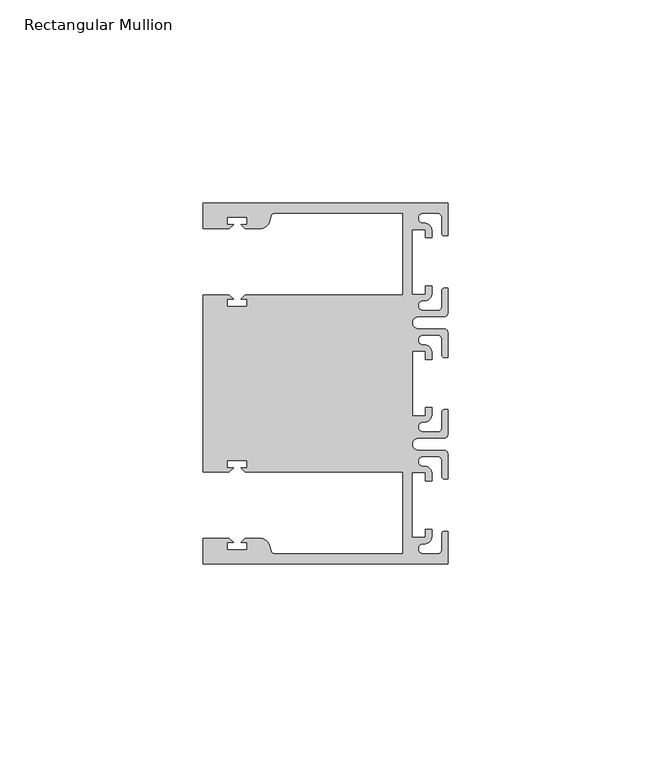
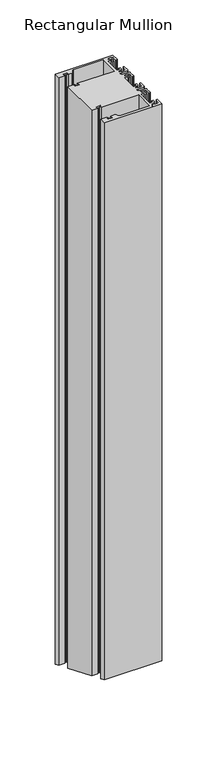
"""IFC4 building model written with IfcOpenShell, lengths in millimetres: member geometry, Rectangular Mullion."""

from ifc_helpers import new_model, si_unit, frame, origin, place, context, project, spatial, polyline, circle_curve, ellipse_curve, source, transform, mapped, element, save
from ifc_brep_helpers import plane_surface, cylinder_surface, revolved_surface, advanced_brep


def rectangular_mullion_48d533da(model_context):
    return source(origin(), model_context, "Body", "AdvancedBrep", [
        advanced_brep(
        [(0.0, 44.45, 0.0), (-60.3249977, 44.45, 0.0), (-60.3249977, 38.1499897, 0.0), (-53.8507531, 38.1499897, 0.0), (-52.8507405, 39.1500023, 0.0), (-54.4249778, 39.1500023, 0.0), (-54.4249778, 40.9498819, 0.0), (-49.4249831, 40.9498819, 0.0), (-49.4249831, 39.1500023, 0.0), (-50.999256, 39.1500023, 0.0), (-49.9992503, 38.1499966, 0.0), (-46.3137853, 38.1499966, 0.0), (-43.8989707, 40.002949, 0.0), (-43.5758588, 41.2088192, 0.0), (-42.6099329, 41.9500001, 0.0), (-11.1124977, 41.95, 0.0), (-11.1124977, 21.7499959, 0.0), (-49.9992434, 21.7499959, 0.0), (-50.999256, 20.7499834, 0.0), (-49.4250186, 20.7499834, 0.0), (-49.4250186, 18.949936, 0.0), (-54.4250134, 18.949936, 0.0), (-54.4250134, 20.7499834, 0.0), (-52.8507405, 20.7499834, 0.0), (-53.8507562, 21.749999, 0.0), (-60.325, 21.749999, 0.0), (-60.325, -21.749999, 0.0), (-53.8507562, -21.749999, 0.0), (-52.8507405, -20.7499834, 0.0), (-54.4250134, -20.7499834, 0.0), (-54.4250134, -18.949936, 0.0), (-49.4250186, -18.949936, 0.0), (-49.4250186, -20.7499834, 0.0), (-50.999256, -20.7499834, 0.0), (-49.9992434, -21.7499959, 0.0), (-11.1125, -21.7499959, 0.0), (-11.1125, -41.95, 0.0), (-42.6099329, -41.95, 0.0), (-43.5758588, -41.2088192, 0.0), (-43.8989707, -40.002949, 0.0), (-46.3137853, -38.1499966, 0.0), (-49.9992503, -38.1499966, 0.0), (-50.999256, -39.1500023, 0.0), (-49.4249831, -39.1500023, 0.0), (-49.4249831, -40.9498819, 0.0), (-54.4249778, -40.9498819, 0.0), (-54.4249778, -39.1500023, 0.0), (-52.8507405, -39.1500023, 0.0), (-53.8507531, -38.1499897, 0.0), (-60.325, -38.1499897, 0.0), (-60.325, -44.45, 0.0), (0.0, -44.45, 0.0), (0.0, -36.4500318, 0.0), (-1.0, -36.4500318, 0.0), (-1.5, -36.9500318, 0.0), (-1.5, -40.95, 0.0), (-2.5, -41.95, 0.0), (-6.0499986, -41.95, 0.0), (-5.9027291, -39.4587029, 0.0), (-4.0000054, -37.7499972, 0.0), (-4.0000054, -35.9500318, 0.0), (-5.5, -35.9500318, 0.0), (-5.5, -37.9499972, 0.0), (-8.8585786, -37.9499972, 0.0), (-8.8585786, -21.9499956, 0.0), (-5.5, -21.9499956, 0.0), (-5.5, -23.9499611, 0.0), (-3.9999946, -23.9499611, 0.0), (-3.9999946, -22.0272972, 0.0), (-6.0499986, -20.4499956, 0.0), (-6.0499986, -17.9499929, 0.0), (-2.5, -17.9499929, 0.0), (-1.5, -18.9499929, 0.0), (-1.5, -22.9499611, 0.0), (-1.0, -23.4499611, 0.0), (0.0, -23.4499611, 0.0), (0.0, -17.4499929, 0.0), (-1.0, -16.4499929, 0.0), (-7.3, -16.4499929, 0.0), (-7.3046244, -13.45, 0.0), (-1.0, -13.45, 0.0), (0.0, -12.45, 0.0), (0.0, -6.4500354, 0.0), (-0.9999964, -6.4500354, 0.0), (-1.4999964, -6.9500354, 0.0), (-1.4999964, -10.95, 0.0), (-2.4999964, -11.95, 0.0), (-6.0499986, -11.95, 0.0), (-6.0499986, -9.4499972, 0.0), (-4.0000054, -7.7499972, 0.0), (-4.0000054, -5.9500318, 0.0), (-5.5, -5.9500318, 0.0), (-5.5, -7.9499972, 0.0), (-8.8, -7.9499972, 0.0), (-8.8, 7.9499972, 0.0), (-5.5, 7.9499972, 0.0), (-5.5, 5.9500318, 0.0), (-4.0000054, 5.9500318, 0.0), (-4.0000054, 7.7499972, 0.0), (-6.0499986, 9.4499972, 0.0), (-6.0499986, 11.95, 0.0), (-2.4999964, 11.95, 0.0), (-1.4999964, 10.95, 0.0), (-1.4999964, 6.9500354, 0.0), (-0.9999964, 6.4500354, 0.0), (0.0, 6.4500354, 0.0), (0.0, 12.45, 0.0), (-1.0, 13.45, 0.0), (-7.3046244, 13.45, 0.0), (-7.3, 16.4499929, 0.0), (-1.0, 16.4499929, 0.0), (0.0, 17.4499929, 0.0), (0.0, 23.4499611, 0.0), (-1.0, 23.4499611, 0.0), (-1.5, 22.9499611, 0.0), (-1.5, 18.9499929, 0.0), (-2.5, 17.9499929, 0.0), (-6.0499986, 17.9499929, 0.0), (-6.0499986, 20.4499956, 0.0), (-3.9999946, 22.0272972, 0.0), (-3.9999946, 23.9499611, 0.0), (-5.5, 23.9499611, 0.0), (-5.5, 21.9499956, 0.0), (-8.8585786, 21.9499956, 0.0), (-8.8585786, 37.9499972, 0.0), (-5.5, 37.9499972, 0.0), (-5.5, 35.9500318, 0.0), (-4.0000054, 35.9500318, 0.0), (-4.0000054, 37.7499972, 0.0), (-5.9027291, 39.4587029, 0.0), (-6.0499986, 41.95, 0.0), (-2.5, 41.95, 0.0), (-1.5, 40.95, 0.0), (-1.5, 36.9500318, 0.0), (-1.0, 36.4500318, 0.0), (0.0, 36.4500318, 0.0), (0.0, 44.45, -653.4117928), (-60.3249977, 44.45, -653.4117928), (-60.3249977, 38.1499897, -650.8022431), (-53.8507531, 38.1499897, -650.8022431), (-52.8507405, 39.1500023, -651.2164619), (-54.4249778, 39.1500023, -651.2164619), (-54.4249778, 40.9498819, -651.9619965), (-49.4249831, 40.9498819, -651.9619965), (-49.4249831, 39.1500023, -651.2164619), (-50.999256, 39.1500023, -651.2164619), (-49.9992503, 38.1499966, -650.802246), (-46.3137853, 38.1499966, -650.802246), (-43.8989707, 40.002949, -651.569764), (-43.5758588, 41.2088192, -652.0692518), (-42.6099329, 41.9500001, -652.376259), (-11.1124977, 41.95, -652.3762589), (-11.1124977, 21.7499959, -644.0091433), (-49.9992434, 21.7499959, -644.0091433), (-50.999256, 20.7499834, -643.5949245), (-49.4250186, 20.7499834, -643.5949245), (-49.4250186, 18.949936, -642.8493205), (-54.4250134, 18.949936, -642.8493205), (-54.4250134, 20.7499834, -643.5949245), (-52.8507405, 20.7499834, -643.5949245), (-53.8507562, 21.749999, -644.0091446), (-60.325, 21.749999, -644.0091446), (-60.325, -21.749999, -625.9908554), (-53.8507562, -21.749999, -625.9908554), (-52.8507405, -20.7499834, -626.4050755), (-54.4250134, -20.7499834, -626.4050755), (-54.4250134, -18.949936, -627.1506795), (-49.4250186, -18.949936, -627.1506795), (-49.4250186, -20.7499834, -626.4050755), (-50.999256, -20.7499834, -626.4050755), (-49.9992434, -21.7499959, -625.9908567), (-11.1125, -21.7499959, -625.9908567), (-11.1125, -41.95, -617.6237411), (-42.6099329, -41.95, -617.623741), (-43.5758588, -41.2088192, -617.9307482), (-43.8989707, -40.002949, -618.430236), (-46.3137853, -38.1499966, -619.197754), (-49.9992503, -38.1499966, -619.197754), (-50.999256, -39.1500023, -618.7835381), (-49.4249831, -39.1500023, -618.7835381), (-49.4249831, -40.9498819, -618.0380035), (-54.4249778, -40.9498819, -618.0380035), (-54.4249778, -39.1500023, -618.7835381), (-52.8507405, -39.1500023, -618.7835381), (-53.8507531, -38.1499897, -619.1977569), (-60.325, -38.1499897, -619.1977569), (-60.325, -44.45, -616.5882072), (0.0, -44.45, -616.5882072), (0.0, -36.4500318, -619.9019025), (-1.0, -36.4500318, -619.9019025), (-1.5, -36.9500318, -619.6947957), (-1.5, -40.95, -618.0379546), (-2.5, -41.95, -617.6237411), (-6.0499986, -41.95, -617.6237411), (-5.9027291, -39.4587029, -618.6556701), (-4.0000054, -37.7499972, -619.3634392), (-4.0000054, -35.9500318, -620.1090093), (-5.5, -35.9500318, -620.1090093), (-5.5, -37.9499972, -619.2805964), (-8.8585786, -37.9499972, -619.2805964), (-8.8585786, -21.9499956, -625.9080141), (-5.5, -21.9499956, -625.9080141), (-5.5, -23.9499611, -625.0796013), (-3.9999946, -23.9499611, -625.0796013), (-3.9999946, -22.0272972, -625.8759947), (-6.0499986, -20.4499956, -626.5293345), (-6.0499986, -17.9499929, -627.5648695), (-2.5, -17.9499929, -627.5648695), (-1.5, -18.9499929, -627.1506559), (-1.5, -22.9499611, -625.4938149), (-1.0, -23.4499611, -625.2867081), (0.0, -23.4499611, -625.2867081), (0.0, -17.4499929, -627.7719763), (-1.0, -16.4499929, -628.1861899), (-7.3, -16.4499929, -628.1861899), (-7.3046244, -13.45, -629.4288276), (-1.0, -13.45, -629.4288276), (0.0, -12.45, -629.8430411), (0.0, -6.4500354, -632.3283079), (-0.9999964, -6.4500354, -632.3283079), (-1.4999964, -6.9500354, -632.1212011), (-1.4999964, -10.95, -630.4643615), (-2.4999964, -11.95, -630.0501479), (-6.0499986, -11.95, -630.0501479), (-6.0499986, -9.4499972, -631.085683), (-4.0000054, -7.7499972, -631.789846), (-4.0000054, -5.9500318, -632.5354161), (-5.5, -5.9500318, -632.5354161), (-5.5, -7.9499972, -631.7070033), (-8.8, -7.9499972, -631.7070033), (-8.8, 7.9499972, -638.2929967), (-5.5, 7.9499972, -638.2929967), (-5.5, 5.9500318, -637.4645839), (-4.0000054, 5.9500318, -637.4645839), (-4.0000054, 7.7499972, -638.210154), (-6.0499986, 9.4499972, -638.914317), (-6.0499986, 11.95, -639.9498521), (-2.4999964, 11.95, -639.9498521), (-1.4999964, 10.95, -639.5356385), (-1.4999964, 6.9500354, -637.8787989), (-0.9999964, 6.4500354, -637.6716921), (0.0, 6.4500354, -637.6716921), (0.0, 12.45, -640.1569589), (-1.0, 13.45, -640.5711724), (-7.3046244, 13.45, -640.5711724), (-7.3, 16.4499929, -641.8138101), (-1.0, 16.4499929, -641.8138101), (0.0, 17.4499929, -642.2280237), (0.0, 23.4499611, -644.7132919), (-1.0, 23.4499611, -644.7132919), (-1.5, 22.9499611, -644.5061851), (-1.5, 18.9499929, -642.8493441), (-2.5, 17.9499929, -642.4351305), (-6.0499986, 17.9499929, -642.4351305), (-6.0499986, 20.4499956, -643.4706655), (-3.9999946, 22.0272972, -644.1240053), (-3.9999946, 23.9499611, -644.9203987), (-5.5, 23.9499611, -644.9203987), (-5.5, 21.9499956, -644.0919859), (-8.8585786, 21.9499956, -644.0919859), (-8.8585786, 37.9499972, -650.7194036), (-5.5, 37.9499972, -650.7194036), (-5.5, 35.9500318, -649.8909907), (-4.0000054, 35.9500318, -649.8909907), (-4.0000054, 37.7499972, -650.6365608), (-5.9027291, 39.4587029, -651.3443299), (-6.0499986, 41.95, -652.3762589), (-2.5, 41.95, -652.3762589), (-1.5, 40.95, -651.9620454), (-1.5, 36.9500318, -650.3052043), (-1.0, 36.4500318, -650.0980975), (0.0, 36.4500318, -650.0980975)],
        [
            (0, 1),
            (1, 2),
            (2, 3),
            (3, 4),
            (4, 5),
            (5, 6),
            (6, 7),
            (7, 8),
            (8, 9),
            (9, 10),
            (10, 11),
            (11, 12, circle_curve(frame((-46.3137853, 40.6499966, 0.0), z_axis=(0.0, 0.0, 1.0), x_axis=(0.0, -1.0, 0.0)), 2.5)),
            (12, 13),
            (13, 14, circle_curve(frame((-42.6099329, 40.9500001, 0.0), z_axis=(0.0, 0.0, -1.0), x_axis=(0.0, -1.0, 0.0)), 1.0)),
            (14, 15),
            (15, 16),
            (16, 17),
            (17, 18),
            (18, 19),
            (19, 20),
            (20, 21),
            (21, 22),
            (22, 23),
            (23, 24),
            (24, 25),
            (25, 26),
            (26, 27),
            (27, 28),
            (28, 29),
            (29, 30),
            (30, 31),
            (31, 32),
            (32, 33),
            (33, 34),
            (34, 35),
            (35, 36),
            (36, 37),
            (37, 38, circle_curve(frame((-42.6099329, -40.9500001, 0.0), z_axis=(0.0, 0.0, -1.0), x_axis=(0.0, 1.0, 0.0)), 1.0)),
            (38, 39),
            (39, 40, circle_curve(frame((-46.3137853, -40.6499966, 0.0), z_axis=(0.0, 0.0, 1.0), x_axis=(0.0, 1.0, 0.0)), 2.5)),
            (40, 41),
            (41, 42),
            (42, 43),
            (43, 44),
            (44, 45),
            (45, 46),
            (46, 47),
            (47, 48),
            (48, 49),
            (49, 50),
            (50, 51),
            (51, 52),
            (52, 53),
            (53, 54, circle_curve(frame((-1.0, -36.9500318, 0.0), z_axis=(0.0, 0.0, 1.0), x_axis=(0.0, 1.0, 0.0)), 0.5)),
            (54, 55),
            (55, 56, circle_curve(frame((-2.5, -40.95, 0.0), z_axis=(0.0, 0.0, -1.0), x_axis=(0.0, 1.0, 0.0)), 1.0)),
            (56, 57),
            (57, 58, circle_curve(frame((-6.0499986, -40.6999986, 0.0), z_axis=(0.0, 0.0, -1.0), x_axis=(0.0, 1.0, 0.0)), 1.2500014)),
            (58, 59, circle_curve(frame((-5.7186029, -37.7499972, 0.0), z_axis=(0.0, 0.0, 1.0), x_axis=(1.0, 0.0, 0.0)), 1.7185975)),
            (59, 60),
            (60, 61),
            (61, 62),
            (62, 63),
            (63, 64),
            (64, 65),
            (65, 66),
            (66, 67),
            (67, 68),
            (68, 69, circle_curve(frame((-5.7543344, -22.1865598, 0.0), z_axis=(0.0, 0.0, 1.0), x_axis=(1.0, 0.0, 0.0)), 1.761554)),
            (69, 70, circle_curve(frame((-6.0499986, -19.1999942, 0.0), z_axis=(0.0, 0.0, -1.0), x_axis=(0.0, 1.0, 0.0)), 1.2500014)),
            (70, 71),
            (71, 72, circle_curve(frame((-2.5, -18.9499929, 0.0), z_axis=(0.0, 0.0, -1.0), x_axis=(0.0, 1.0, 0.0)), 1.0)),
            (72, 73),
            (73, 74, circle_curve(frame((-1.0, -22.9499611, 0.0), z_axis=(0.0, 0.0, 1.0), x_axis=(0.0, 1.0, 0.0)), 0.5)),
            (74, 75),
            (75, 76),
            (76, 77, circle_curve(frame((-1.0, -17.4499929, 0.0), z_axis=(0.0, 0.0, 1.0), x_axis=(0.0, 1.0, 0.0)), 1.0)),
            (77, 78),
            (78, 79, circle_curve(frame((-7.3, -14.9499929, 0.0), z_axis=(0.0, 0.0, -1.0), x_axis=(0.0, 1.0, 0.0)), 1.5)),
            (79, 80),
            (80, 81, circle_curve(frame((-1.0, -12.45, 0.0), z_axis=(0.0, 0.0, 1.0), x_axis=(0.0, 1.0, 0.0)), 1.0)),
            (81, 82),
            (82, 83),
            (83, 84, circle_curve(frame((-0.9999964, -6.9500354, 0.0), z_axis=(0.0, 0.0, 1.0), x_axis=(0.0, 1.0, 0.0)), 0.5)),
            (84, 85),
            (85, 86, circle_curve(frame((-2.4999964, -10.95, 0.0), z_axis=(0.0, 0.0, -1.0), x_axis=(0.0, 1.0, 0.0)), 1.0)),
            (86, 87),
            (87, 88, circle_curve(frame((-6.0499986, -10.6999986, 0.0), z_axis=(0.0, 0.0, -1.0), x_axis=(0.0, 1.0, 0.0)), 1.2500014)),
            (88, 89, circle_curve(frame((-5.7298824, -7.7499972, 0.0), z_axis=(0.0, 0.0, 1.0), x_axis=(1.0, 0.0, 0.0)), 1.729877)),
            (89, 90),
            (90, 91),
            (91, 92),
            (92, 93),
            (93, 94),
            (94, 95),
            (95, 96),
            (96, 97),
            (97, 98),
            (98, 99, circle_curve(frame((-5.7298824, 7.7499972, 0.0), z_axis=(0.0, 0.0, 1.0), x_axis=(1.0, 0.0, 0.0)), 1.729877)),
            (99, 100, circle_curve(frame((-6.0499986, 10.6999986, 0.0), z_axis=(0.0, 0.0, -1.0), x_axis=(0.0, -1.0, 0.0)), 1.2500014)),
            (100, 101),
            (101, 102, circle_curve(frame((-2.4999964, 10.95, 0.0), z_axis=(0.0, 0.0, -1.0), x_axis=(0.0, -1.0, 0.0)), 1.0)),
            (102, 103),
            (103, 104, circle_curve(frame((-0.9999964, 6.9500354, 0.0), z_axis=(0.0, 0.0, 1.0), x_axis=(0.0, -1.0, 0.0)), 0.5)),
            (104, 105),
            (105, 106),
            (106, 107, circle_curve(frame((-1.0, 12.45, 0.0), z_axis=(0.0, 0.0, 1.0), x_axis=(0.0, -1.0, 0.0)), 1.0)),
            (107, 108),
            (108, 109, circle_curve(frame((-7.3, 14.9499929, 0.0), z_axis=(0.0, 0.0, -1.0), x_axis=(0.0, -1.0, 0.0)), 1.5)),
            (109, 110),
            (110, 111, circle_curve(frame((-1.0, 17.4499929, 0.0), z_axis=(0.0, 0.0, 1.0), x_axis=(0.0, -1.0, 0.0)), 1.0)),
            (111, 112),
            (112, 113),
            (113, 114, circle_curve(frame((-1.0, 22.9499611, 0.0), z_axis=(0.0, 0.0, 1.0), x_axis=(0.0, -1.0, 0.0)), 0.5)),
            (114, 115),
            (115, 116, circle_curve(frame((-2.5, 18.9499929, 0.0), z_axis=(0.0, 0.0, -1.0), x_axis=(0.0, -1.0, 0.0)), 1.0)),
            (116, 117),
            (117, 118, circle_curve(frame((-6.0499986, 19.1999942, 0.0), z_axis=(0.0, 0.0, -1.0), x_axis=(0.0, -1.0, 0.0)), 1.2500014)),
            (118, 119, circle_curve(frame((-5.7543344, 22.1865598, 0.0), z_axis=(0.0, 0.0, 1.0), x_axis=(1.0, 0.0, 0.0)), 1.761554)),
            (119, 120),
            (120, 121),
            (121, 122),
            (122, 123),
            (123, 124),
            (124, 125),
            (125, 126),
            (126, 127),
            (127, 128),
            (128, 129, circle_curve(frame((-5.7186029, 37.7499972, 0.0), z_axis=(0.0, 0.0, 1.0), x_axis=(1.0, 0.0, 0.0)), 1.7185975)),
            (129, 130, circle_curve(frame((-6.0499986, 40.6999986, 0.0), z_axis=(0.0, 0.0, -1.0), x_axis=(0.0, -1.0, 0.0)), 1.2500014)),
            (130, 131),
            (131, 132, circle_curve(frame((-2.5, 40.95, 0.0), z_axis=(0.0, 0.0, -1.0), x_axis=(0.0, -1.0, 0.0)), 1.0)),
            (132, 133),
            (133, 134, circle_curve(frame((-1.0, 36.9500318, 0.0), z_axis=(0.0, 0.0, 1.0), x_axis=(0.0, -1.0, 0.0)), 0.5)),
            (134, 135),
            (135, 0),
            (0, 136),
            (136, 137),
            (137, 1),
            (137, 138),
            (138, 2),
            (138, 139),
            (139, 3),
            (139, 140),
            (140, 4),
            (140, 141),
            (141, 5),
            (141, 142),
            (142, 6),
            (142, 143),
            (143, 7),
            (143, 144),
            (144, 8),
            (144, 145),
            (145, 9),
            (145, 146),
            (146, 10),
            (146, 147),
            (147, 11),
            (147, 148, ellipse_curve(frame((-46.3137853, 40.6499966, -651.8377799), z_axis=(0.0, 0.38268343236509095, 0.9238795325112863), x_axis=(0.0, -0.9238795325112863, 0.38268343236509084)), 2.7059805, 2.5)),
            (148, 12),
            (148, 149),
            (149, 13),
            (149, 150, ellipse_curve(frame((-42.6099329, 40.9500001, -651.9620454), z_axis=(0.0, -0.38268343236509095, -0.9238795325112863), x_axis=(0.0, 0.9238795325112863, -0.38268343236509084)), 1.0823922, 1.0)),
            (150, 14),
            (150, 151),
            (151, 15),
            (151, 152),
            (152, 16),
            (152, 153),
            (153, 17),
            (153, 154),
            (154, 18),
            (154, 155),
            (155, 19),
            (155, 156),
            (156, 20),
            (156, 157),
            (157, 21),
            (157, 158),
            (158, 22),
            (158, 159),
            (159, 23),
            (159, 160),
            (160, 24),
            (160, 161),
            (161, 25),
            (161, 162),
            (162, 26),
            (162, 163),
            (163, 27),
            (163, 164),
            (164, 28),
            (164, 165),
            (165, 29),
            (165, 166),
            (166, 30),
            (166, 167),
            (167, 31),
            (167, 168),
            (168, 32),
            (168, 169),
            (169, 33),
            (169, 170),
            (170, 34),
            (170, 171),
            (171, 35),
            (171, 172),
            (172, 36),
            (172, 173),
            (173, 37),
            (173, 174, ellipse_curve(frame((-42.6099329, -40.9500001, -618.0379546), z_axis=(0.0, -0.38268343236509095, -0.9238795325112863), x_axis=(0.0, 0.9238795325112863, -0.38268343236509084)), 1.0823922, 1.0)),
            (174, 38),
            (174, 175),
            (175, 39),
            (175, 176, ellipse_curve(frame((-46.3137853, -40.6499966, -618.1622201), z_axis=(0.0, 0.38268343236509095, 0.9238795325112863), x_axis=(0.0, -0.9238795325112863, 0.38268343236509084)), 2.7059805, 2.5)),
            (176, 40),
            (176, 177),
            (177, 41),
            (177, 178),
            (178, 42),
            (178, 179),
            (179, 43),
            (179, 180),
            (180, 44),
            (180, 181),
            (181, 45),
            (181, 182),
            (182, 46),
            (182, 183),
            (183, 47),
            (183, 184),
            (184, 48),
            (184, 185),
            (185, 49),
            (185, 186),
            (186, 50),
            (186, 187),
            (187, 51),
            (187, 188),
            (188, 52),
            (188, 189),
            (189, 53),
            (189, 190, ellipse_curve(frame((-1.0, -36.9500318, -619.6947957), z_axis=(0.0, 0.38268343236509095, 0.9238795325112863), x_axis=(0.0, -0.9238795325112863, 0.38268343236509084)), 0.5411961, 0.5)),
            (190, 54),
            (190, 191),
            (191, 55),
            (191, 192, ellipse_curve(frame((-2.5, -40.95, -618.0379546), z_axis=(0.0, -0.38268343236509095, -0.9238795325112863), x_axis=(0.0, 0.9238795325112863, -0.38268343236509084)), 1.0823922, 1.0)),
            (192, 56),
            (192, 193),
            (193, 57),
            (193, 194, ellipse_curve(frame((-6.0499986, -40.6999986, -618.1415086), z_axis=(0.0, -0.38268343236509095, -0.9238795325112863), x_axis=(0.0, 0.9238795325112863, -0.38268343236509084)), 1.3529917, 1.2500014)),
            (194, 58),
            (194, 195, ellipse_curve(frame((-5.7186029, -37.7499972, -619.3634392), z_axis=(0.0, 0.38268343236509095, 0.9238795325112863), x_axis=(0.0, -0.9238795325112863, 0.38268343236509084)), 1.8601965, 1.7185975)),
            (195, 59),
            (195, 196),
            (196, 60),
            (196, 197),
            (197, 61),
            (197, 198),
            (198, 62),
            (198, 199),
            (199, 63),
            (199, 200),
            (200, 64),
            (200, 201),
            (201, 65),
            (201, 202),
            (202, 66),
            (202, 203),
            (203, 67),
            (203, 204),
            (204, 68),
            (204, 205, ellipse_curve(frame((-5.7543344, -22.1865598, -625.810026), z_axis=(0.0, 0.38268343236509095, 0.9238795325112863), x_axis=(0.0, -0.9238795325112863, 0.38268343236509084)), 1.9066923, 1.761554)),
            (205, 69),
            (205, 206, ellipse_curve(frame((-6.0499986, -19.1999942, -627.047102), z_axis=(0.0, -0.38268343236509095, -0.9238795325112863), x_axis=(0.0, 0.9238795325112863, -0.38268343236509084)), 1.3529917, 1.2500014)),
            (206, 70),
            (206, 207),
            (207, 71),
            (207, 208, ellipse_curve(frame((-2.5, -18.9499929, -627.1506559), z_axis=(0.0, -0.38268343236509095, -0.9238795325112863), x_axis=(0.0, 0.9238795325112863, -0.38268343236509084)), 1.0823922, 1.0)),
            (208, 72),
            (208, 209),
            (209, 73),
            (209, 210, ellipse_curve(frame((-1.0, -22.9499611, -625.4938149), z_axis=(0.0, 0.38268343236509095, 0.9238795325112863), x_axis=(0.0, -0.9238795325112863, 0.38268343236509084)), 0.5411961, 0.5)),
            (210, 74),
            (210, 211),
            (211, 75),
            (211, 212),
            (212, 76),
            (212, 213, ellipse_curve(frame((-1.0, -17.4499929, -627.7719763), z_axis=(0.0, 0.38268343236509095, 0.9238795325112863), x_axis=(0.0, -0.9238795325112863, 0.38268343236509084)), 1.0823922, 1.0)),
            (213, 77),
            (213, 214),
            (214, 78),
            (214, 215, ellipse_curve(frame((-7.3, -14.9499929, -628.8075102), z_axis=(0.0, -0.38268343236509095, -0.9238795325112863), x_axis=(0.0, 0.9238795325112863, -0.38268343236509084)), 1.6235883, 1.5)),
            (215, 79),
            (215, 216),
            (216, 80),
            (216, 217, ellipse_curve(frame((-1.0, -12.45, -629.8430411), z_axis=(0.0, 0.38268343236509095, 0.9238795325112863), x_axis=(0.0, -0.9238795325112863, 0.38268343236509084)), 1.0823922, 1.0)),
            (217, 81),
            (217, 218),
            (218, 82),
            (218, 219),
            (219, 83),
            (219, 220, ellipse_curve(frame((-0.9999964, -6.9500354, -632.1212011), z_axis=(0.0, 0.38268343236509095, 0.9238795325112863), x_axis=(0.0, -0.9238795325112863, 0.38268343236509084)), 0.5411961, 0.5)),
            (220, 84),
            (220, 221),
            (221, 85),
            (221, 222, ellipse_curve(frame((-2.4999964, -10.95, -630.4643615), z_axis=(0.0, -0.38268343236509095, -0.9238795325112863), x_axis=(0.0, 0.9238795325112863, -0.38268343236509084)), 1.0823922, 1.0)),
            (222, 86),
            (222, 223),
            (223, 87),
            (223, 224, ellipse_curve(frame((-6.0499986, -10.6999986, -630.5679155), z_axis=(0.0, -0.38268343236509095, -0.9238795325112863), x_axis=(0.0, 0.9238795325112863, -0.38268343236509084)), 1.3529917, 1.2500014)),
            (224, 88),
            (224, 225, ellipse_curve(frame((-5.7298824, -7.7499972, -631.789846), z_axis=(0.0, 0.38268343236509095, 0.9238795325112863), x_axis=(0.0, -0.9238795325112863, 0.38268343236509084)), 1.8724054, 1.729877)),
            (225, 89),
            (225, 226),
            (226, 90),
            (226, 227),
            (227, 91),
            (227, 228),
            (228, 92),
            (228, 229),
            (229, 93),
            (229, 230),
            (230, 94),
            (230, 231),
            (231, 95),
            (231, 232),
            (232, 96),
            (232, 233),
            (233, 97),
            (233, 234),
            (234, 98),
            (234, 235, ellipse_curve(frame((-5.7298824, 7.7499972, -638.210154), z_axis=(0.0, 0.38268343236509095, 0.9238795325112863), x_axis=(0.0, -0.9238795325112863, 0.38268343236509084)), 1.8724054, 1.729877)),
            (235, 99),
            (235, 236, ellipse_curve(frame((-6.0499986, 10.6999986, -639.4320845), z_axis=(0.0, -0.38268343236509095, -0.9238795325112863), x_axis=(0.0, 0.9238795325112863, -0.38268343236509084)), 1.3529917, 1.2500014)),
            (236, 100),
            (236, 237),
            (237, 101),
            (237, 238, ellipse_curve(frame((-2.4999964, 10.95, -639.5356385), z_axis=(0.0, -0.38268343236509095, -0.9238795325112863), x_axis=(0.0, 0.9238795325112863, -0.38268343236509084)), 1.0823922, 1.0)),
            (238, 102),
            (238, 239),
            (239, 103),
            (239, 240, ellipse_curve(frame((-0.9999964, 6.9500354, -637.8787989), z_axis=(0.0, 0.38268343236509095, 0.9238795325112863), x_axis=(0.0, -0.9238795325112863, 0.38268343236509084)), 0.5411961, 0.5)),
            (240, 104),
            (240, 241),
            (241, 105),
            (241, 242),
            (242, 106),
            (242, 243, ellipse_curve(frame((-1.0, 12.45, -640.1569589), z_axis=(0.0, 0.38268343236509095, 0.9238795325112863), x_axis=(0.0, -0.9238795325112863, 0.38268343236509084)), 1.0823922, 1.0)),
            (243, 107),
            (243, 244),
            (244, 108),
            (244, 245, ellipse_curve(frame((-7.3, 14.9499929, -641.1924898), z_axis=(0.0, -0.38268343236509095, -0.9238795325112863), x_axis=(0.0, 0.9238795325112863, -0.38268343236509084)), 1.6235883, 1.5)),
            (245, 109),
            (245, 246),
            (246, 110),
            (246, 247, ellipse_curve(frame((-1.0, 17.4499929, -642.2280237), z_axis=(0.0, 0.38268343236509095, 0.9238795325112863), x_axis=(0.0, -0.9238795325112863, 0.38268343236509084)), 1.0823922, 1.0)),
            (247, 111),
            (247, 248),
            (248, 112),
            (248, 249),
            (249, 113),
            (249, 250, ellipse_curve(frame((-1.0, 22.9499611, -644.5061851), z_axis=(0.0, 0.38268343236509095, 0.9238795325112863), x_axis=(0.0, -0.9238795325112863, 0.38268343236509084)), 0.5411961, 0.5)),
            (250, 114),
            (250, 251),
            (251, 115),
            (251, 252, ellipse_curve(frame((-2.5, 18.9499929, -642.8493441), z_axis=(0.0, -0.38268343236509095, -0.9238795325112863), x_axis=(0.0, 0.9238795325112863, -0.38268343236509084)), 1.0823922, 1.0)),
            (252, 116),
            (252, 253),
            (253, 117),
            (253, 254, ellipse_curve(frame((-6.0499986, 19.1999942, -642.952898), z_axis=(0.0, -0.38268343236509095, -0.9238795325112863), x_axis=(0.0, 0.9238795325112863, -0.38268343236509084)), 1.3529917, 1.2500014)),
            (254, 118),
            (254, 255, ellipse_curve(frame((-5.7543344, 22.1865598, -644.189974), z_axis=(0.0, 0.38268343236509095, 0.9238795325112863), x_axis=(0.0, -0.9238795325112863, 0.38268343236509084)), 1.9066923, 1.761554)),
            (255, 119),
            (255, 256),
            (256, 120),
            (256, 257),
            (257, 121),
            (257, 258),
            (258, 122),
            (258, 259),
            (259, 123),
            (259, 260),
            (260, 124),
            (260, 261),
            (261, 125),
            (261, 262),
            (262, 126),
            (262, 263),
            (263, 127),
            (263, 264),
            (264, 128),
            (264, 265, ellipse_curve(frame((-5.7186029, 37.7499972, -650.6365608), z_axis=(0.0, 0.38268343236509095, 0.9238795325112863), x_axis=(0.0, -0.9238795325112863, 0.38268343236509084)), 1.8601965, 1.7185975)),
            (265, 129),
            (265, 266, ellipse_curve(frame((-6.0499986, 40.6999986, -651.8584914), z_axis=(0.0, -0.38268343236509095, -0.9238795325112863), x_axis=(0.0, 0.9238795325112863, -0.38268343236509084)), 1.3529917, 1.2500014)),
            (266, 130),
            (266, 267),
            (267, 131),
            (267, 268, ellipse_curve(frame((-2.5, 40.95, -651.9620454), z_axis=(0.0, -0.38268343236509095, -0.9238795325112863), x_axis=(0.0, 0.9238795325112863, -0.38268343236509084)), 1.0823922, 1.0)),
            (268, 132),
            (268, 269),
            (269, 133),
            (269, 270, ellipse_curve(frame((-1.0, 36.9500318, -650.3052043), z_axis=(0.0, 0.38268343236509095, 0.9238795325112863), x_axis=(0.0, -0.9238795325112863, 0.38268343236509084)), 0.5411961, 0.5)),
            (270, 134),
            (270, 271),
            (271, 135),
            (271, 136),
        ],
        [
            plane_surface(frame((0.0, -74.9326906, 0.0), z_axis=(0.0, 0.0, 1.0), x_axis=(-1.0, 0.0, 0.0))),
            plane_surface(frame((0.0, 44.45, 0.0), z_axis=(0.0, 1.0, 0.0), x_axis=(0.0, 0.0, -1.0))),
            plane_surface(frame((-60.3249977, 44.45, 0.0), z_axis=(-1.0, 0.0, 0.0), x_axis=(0.0, 0.0, -1.0))),
            plane_surface(frame((-60.3249977, 38.1499897, 0.0), z_axis=(0.0, -1.0, 0.0), x_axis=(0.0, 0.0, -1.0))),
            plane_surface(frame((-53.8507531, 38.1499897, 0.0), z_axis=(0.7071067811865492, -0.7071067811865459, 0.0), x_axis=(0.0, 0.0, -1.0))),
            plane_surface(frame((-52.8507405, 39.1500023, 0.0), z_axis=(0.0, 1.0, 0.0), x_axis=(0.0, 0.0, -1.0))),
            plane_surface(frame((-54.4249778, 39.1500023, 0.0), z_axis=(1.0, 0.0, 0.0), x_axis=(0.0, 0.0, -1.0))),
            plane_surface(frame((-54.4249778, 40.9498819, 0.0), z_axis=(0.0, -1.0, 0.0), x_axis=(0.0, 0.0, -1.0))),
            plane_surface(frame((-49.4249831, 40.9498819, 0.0), z_axis=(-1.0, 0.0, 0.0), x_axis=(0.0, 0.0, -1.0))),
            plane_surface(frame((-49.4249831, 39.1500023, 0.0), z_axis=(0.0, 1.0, 0.0), x_axis=(0.0, 0.0, -1.0))),
            plane_surface(frame((-50.999256, 39.1500023, 0.0), z_axis=(-0.7071067811865469, -0.7071067811865481, 0.0), x_axis=(0.0, 0.0, -1.0))),
            plane_surface(frame((-49.9992503, 38.1499966, 0.0), z_axis=(0.0, -1.0, 0.0), x_axis=(0.0, 0.0, -1.0))),
            cylinder_surface(frame((-46.3137853, 40.6499966, 0.0), z_axis=(0.0, 0.0, 1.0), x_axis=(0.0, -1.0, 0.0)), 2.5),
            plane_surface(frame((-43.8989707, 40.002949, 0.0), z_axis=(0.965925826289163, -0.2588190451021675, 0.0), x_axis=(0.0, 0.0, -1.0))),
            revolved_surface(polyline([(-42.6099329, 39.9500001, -652.376259), (-42.6099329, 39.9500001, 0.0)]), (-42.6099329, 40.9500001, 0.0), (0.0, 0.0, -1.0)),
            plane_surface(frame((-42.6099329, 41.95, 0.0), z_axis=(0.0, -1.0, 0.0), x_axis=(0.0, 0.0, -1.0))),
            plane_surface(frame((-11.1124977, 41.95, 0.0), z_axis=(-1.0, 0.0, 0.0), x_axis=(0.0, 0.0, -1.0))),
            plane_surface(frame((-11.1124977, 21.7499959, 0.0), z_axis=(0.0, 1.0, 0.0), x_axis=(0.0, 0.0, -1.0))),
            plane_surface(frame((-49.9992434, 21.7499959, 0.0), z_axis=(-0.7071067811865492, 0.7071067811865459, 0.0), x_axis=(0.0, 0.0, -1.0))),
            plane_surface(frame((-50.999256, 20.7499834, 0.0), z_axis=(0.0, -1.0, 0.0), x_axis=(0.0, 0.0, -1.0))),
            plane_surface(frame((-49.4250186, 20.7499834, 0.0), z_axis=(-1.0, 0.0, 0.0), x_axis=(0.0, 0.0, -1.0))),
            plane_surface(frame((-49.4250186, 18.949936, 0.0), z_axis=(0.0, 1.0, 0.0), x_axis=(0.0, 0.0, -1.0))),
            plane_surface(frame((-54.4250134, 18.949936, 0.0), z_axis=(1.0, 0.0, 0.0), x_axis=(0.0, 0.0, -1.0))),
            plane_surface(frame((-54.4250134, 20.7499834, 0.0), z_axis=(0.0, -1.0, 0.0), x_axis=(0.0, 0.0, -1.0))),
            plane_surface(frame((-52.8507405, 20.7499834, 0.0), z_axis=(0.7071067811865472, 0.7071067811865479, 0.0), x_axis=(0.0, 0.0, -1.0))),
            plane_surface(frame((-53.8507562, 21.749999, 0.0), z_axis=(0.0, 1.0, 0.0), x_axis=(0.0, 0.0, -1.0))),
            plane_surface(frame((-60.325, 21.749999, 0.0), z_axis=(-1.0, 0.0, 0.0), x_axis=(0.0, 0.0, -1.0))),
            plane_surface(frame((-60.325, -21.749999, 0.0), z_axis=(0.0, -1.0, 0.0), x_axis=(0.0, 0.0, -1.0))),
            plane_surface(frame((-53.8507562, -21.749999, 0.0), z_axis=(0.7071067811865518, -0.7071067811865434, 0.0), x_axis=(0.0, 0.0, -1.0))),
            plane_surface(frame((-52.8507405, -20.7499834, 0.0), z_axis=(0.0, 1.0, 0.0), x_axis=(0.0, 0.0, -1.0))),
            plane_surface(frame((-54.4250134, -20.7499834, 0.0), z_axis=(1.0, 0.0, 0.0), x_axis=(0.0, 0.0, -1.0))),
            plane_surface(frame((-54.4250134, -18.949936, 0.0), z_axis=(0.0, -1.0, 0.0), x_axis=(0.0, 0.0, -1.0))),
            plane_surface(frame((-49.4250186, -18.949936, 0.0), z_axis=(-1.0, 0.0, 0.0), x_axis=(0.0, 0.0, -1.0))),
            plane_surface(frame((-49.4250186, -20.7499834, 0.0), z_axis=(0.0, 1.0, 0.0), x_axis=(0.0, 0.0, -1.0))),
            plane_surface(frame((-50.999256, -20.7499834, 0.0), z_axis=(-0.7071067811865447, -0.7071067811865505, 0.0), x_axis=(0.0, 0.0, -1.0))),
            plane_surface(frame((-49.9992434, -21.7499959, 0.0), z_axis=(0.0, -1.0, 0.0), x_axis=(0.0, 0.0, -1.0))),
            plane_surface(frame((-11.1125, -21.7499959, 0.0), z_axis=(-1.0, 0.0, 0.0), x_axis=(0.0, 0.0, -1.0))),
            plane_surface(frame((-11.1125, -41.95, 0.0), z_axis=(0.0, 1.0, 0.0), x_axis=(0.0, 0.0, -1.0))),
            revolved_surface(polyline([(-42.6099329, -39.9500001, -618.4521681622613), (-42.6099329, -39.9500001, 0.0)]), (-42.6099329, -40.9500001, 0.0), (0.0, 0.0, -1.0)),
            plane_surface(frame((-43.5758588, -41.2088192, 0.0), z_axis=(0.9659258262891613, 0.2588190451021737, 0.0), x_axis=(0.0, 0.0, -1.0))),
            cylinder_surface(frame((-46.3137853, -40.6499966, 0.0), z_axis=(0.0, 0.0, 1.0), x_axis=(0.0, 1.0, 0.0)), 2.5),
            plane_surface(frame((-46.3137853, -38.1499966, 0.0), z_axis=(0.0, 1.0, 0.0), x_axis=(0.0, 0.0, -1.0))),
            plane_surface(frame((-49.9992503, -38.1499966, 0.0), z_axis=(-0.7071067811865515, 0.7071067811865436, 0.0), x_axis=(0.0, 0.0, -1.0))),
            plane_surface(frame((-50.999256, -39.1500023, 0.0), z_axis=(0.0, -1.0, 0.0), x_axis=(0.0, 0.0, -1.0))),
            plane_surface(frame((-49.4249831, -39.1500023, 0.0), z_axis=(-1.0, 0.0, 0.0), x_axis=(0.0, 0.0, -1.0))),
            plane_surface(frame((-49.4249831, -40.9498819, 0.0), z_axis=(0.0, 1.0, 0.0), x_axis=(0.0, 0.0, -1.0))),
            plane_surface(frame((-54.4249778, -40.9498819, 0.0), z_axis=(1.0, 0.0, 0.0), x_axis=(0.0, 0.0, -1.0))),
            plane_surface(frame((-54.4249778, -39.1500023, 0.0), z_axis=(0.0, -1.0, 0.0), x_axis=(0.0, 0.0, -1.0))),
            plane_surface(frame((-52.8507405, -39.1500023, 0.0), z_axis=(0.7071067811865447, 0.7071067811865505, 0.0), x_axis=(0.0, 0.0, -1.0))),
            plane_surface(frame((-53.8507531, -38.1499897, 0.0), z_axis=(0.0, 1.0, 0.0), x_axis=(0.0, 0.0, -1.0))),
            plane_surface(frame((-60.325, -38.1499897, 0.0), z_axis=(-1.0, 0.0, 0.0), x_axis=(0.0, 0.0, -1.0))),
            plane_surface(frame((-60.325, -44.45, 0.0), z_axis=(0.0, -1.0, 0.0), x_axis=(0.0, 0.0, -1.0))),
            plane_surface(frame((0.0, -44.45, 0.0), z_axis=(1.0, 0.0, 0.0), x_axis=(0.0, 0.0, -1.0))),
            plane_surface(frame((0.0, -36.4500318, 0.0), z_axis=(0.0, 1.0, 0.0), x_axis=(0.0, 0.0, -1.0))),
            cylinder_surface(frame((-1.0, -36.9500318, 0.0), z_axis=(0.0, 0.0, 1.0), x_axis=(0.0, 1.0, 0.0)), 0.5),
            plane_surface(frame((-1.5, -36.9500318, 0.0), z_axis=(-1.0, 0.0, 0.0), x_axis=(0.0, 0.0, -1.0))),
            revolved_surface(polyline([(-2.5, -39.95, -618.4521681622613), (-2.5, -39.95, 0.0)]), (-2.5, -40.95, 0.0), (0.0, 0.0, -1.0)),
            plane_surface(frame((-2.5, -41.95, 0.0), z_axis=(0.0, 1.0, 0.0), x_axis=(0.0, 0.0, -1.0))),
            revolved_surface(polyline([(-6.0499986, -39.4499972, -618.6592761077175), (-6.0499986, -39.4499972, 0.0)]), (-6.0499986, -40.6999986, 0.0), (0.0, 0.0, -1.0)),
            cylinder_surface(frame((-5.7186029, -37.7499972, 0.0), z_axis=(0.0, 0.0, 1.0), x_axis=(1.0, 0.0, 0.0)), 1.7185975),
            plane_surface(frame((-4.0000054, -37.7499972, 0.0), z_axis=(1.0, 0.0, 0.0), x_axis=(0.0, 0.0, -1.0))),
            plane_surface(frame((-4.0000054, -35.9500318, 0.0), z_axis=(0.0, 1.0, 0.0), x_axis=(0.0, 0.0, -1.0))),
            plane_surface(frame((-5.5, -35.9500318, 0.0), z_axis=(-1.0, 0.0, 0.0), x_axis=(0.0, 0.0, -1.0))),
            plane_surface(frame((-5.5, -37.9499972, 0.0), z_axis=(0.0, 1.0, 0.0), x_axis=(0.0, 0.0, -1.0))),
            plane_surface(frame((-8.8585786, -37.9499972, 0.0), z_axis=(1.0, 0.0, 0.0), x_axis=(0.0, 0.0, -1.0))),
            plane_surface(frame((-8.8585786, -21.9499956, 0.0), z_axis=(0.0, -1.0, 0.0), x_axis=(0.0, 0.0, -1.0))),
            plane_surface(frame((-5.5, -21.9499956, 0.0), z_axis=(-1.0, 0.0, 0.0), x_axis=(0.0, 0.0, -1.0))),
            plane_surface(frame((-5.5, -23.9499611, 0.0), z_axis=(0.0, -1.0, 0.0), x_axis=(0.0, 0.0, -1.0))),
            plane_surface(frame((-3.9999946, -23.9499611, 0.0), z_axis=(1.0, 0.0, 0.0), x_axis=(0.0, 0.0, -1.0))),
            cylinder_surface(frame((-5.7543344, -22.1865598, 0.0), z_axis=(0.0, 0.0, 1.0), x_axis=(1.0, 0.0, 0.0)), 1.761554),
            revolved_surface(polyline([(-6.0499986, -17.9499928, -627.5648695077175), (-6.0499986, -17.9499928, 0.0)]), (-6.0499986, -19.1999942, 0.0), (0.0, 0.0, -1.0)),
            plane_surface(frame((-6.0499986, -17.9499929, 0.0), z_axis=(0.0, -1.0, 0.0), x_axis=(0.0, 0.0, -1.0))),
            revolved_surface(polyline([(-2.5, -17.9499929, -627.5648695), (-2.5, -17.9499929, 0.0)]), (-2.5, -18.9499929, 0.0), (0.0, 0.0, -1.0)),
            plane_surface(frame((-1.5, -18.9499929, 0.0), z_axis=(-1.0, 0.0, 0.0), x_axis=(0.0, 0.0, -1.0))),
            cylinder_surface(frame((-1.0, -22.9499611, 0.0), z_axis=(0.0, 0.0, 1.0), x_axis=(0.0, 1.0, 0.0)), 0.5),
            plane_surface(frame((-1.0, -23.4499611, 0.0), z_axis=(0.0, -1.0, 0.0), x_axis=(0.0, 0.0, -1.0))),
            plane_surface(frame((0.0, -23.4499611, 0.0), z_axis=(1.0, 0.0, 0.0), x_axis=(0.0, 0.0, -1.0))),
            cylinder_surface(frame((-1.0, -17.4499929, 0.0), z_axis=(0.0, 0.0, 1.0), x_axis=(0.0, 1.0, 0.0)), 1.0),
            plane_surface(frame((-1.0, -16.4499929, 0.0), z_axis=(0.0, 1.0, 0.0), x_axis=(0.0, 0.0, -1.0))),
            revolved_surface(polyline([(-7.3, -13.4499929, -629.4288305433919), (-7.3, -13.4499929, 0.0)]), (-7.3, -14.9499929, 0.0), (0.0, 0.0, -1.0)),
            plane_surface(frame((-7.3046244, -13.45, 0.0), z_axis=(0.0, -1.0, 0.0), x_axis=(0.0, 0.0, -1.0))),
            cylinder_surface(frame((-1.0, -12.45, 0.0), z_axis=(0.0, 0.0, 1.0), x_axis=(0.0, 1.0, 0.0)), 1.0),
            plane_surface(frame((0.0, -12.45, 0.0), z_axis=(1.0, 0.0, 0.0), x_axis=(0.0, 0.0, -1.0))),
            plane_surface(frame((0.0, -6.4500354, 0.0), z_axis=(0.0, 1.0, 0.0), x_axis=(0.0, 0.0, -1.0))),
            cylinder_surface(frame((-0.9999964, -6.9500354, 0.0), z_axis=(0.0, 0.0, 1.0), x_axis=(0.0, 1.0, 0.0)), 0.5),
            plane_surface(frame((-1.4999964, -6.9500354, 0.0), z_axis=(-1.0, 0.0, 0.0), x_axis=(0.0, 0.0, -1.0))),
            revolved_surface(polyline([(-2.4999964, -9.95, -630.8785750622612), (-2.4999964, -9.95, 0.0)]), (-2.4999964, -10.95, 0.0), (0.0, 0.0, -1.0)),
            plane_surface(frame((-2.4999964, -11.95, 0.0), z_axis=(0.0, 1.0, 0.0), x_axis=(0.0, 0.0, -1.0))),
            revolved_surface(polyline([(-6.0499986, -9.4499972, -631.0856830077175), (-6.0499986, -9.4499972, 0.0)]), (-6.0499986, -10.6999986, 0.0), (0.0, 0.0, -1.0)),
            cylinder_surface(frame((-5.7298824, -7.7499972, 0.0), z_axis=(0.0, 0.0, 1.0), x_axis=(1.0, 0.0, 0.0)), 1.729877),
            plane_surface(frame((-4.0000054, -7.7499972, 0.0), z_axis=(1.0, 0.0, 0.0), x_axis=(0.0, 0.0, -1.0))),
            plane_surface(frame((-4.0000054, -5.9500318, 0.0), z_axis=(0.0, 1.0, 0.0), x_axis=(0.0, 0.0, -1.0))),
            plane_surface(frame((-5.5, -5.9500318, 0.0), z_axis=(-1.0, 0.0, 0.0), x_axis=(0.0, 0.0, -1.0))),
            plane_surface(frame((-5.5, -7.9499972, 0.0), z_axis=(0.0, 1.0, 0.0), x_axis=(0.0, 0.0, -1.0))),
            plane_surface(frame((-8.8, -7.9499972, 0.0), z_axis=(1.0, 0.0, 0.0), x_axis=(0.0, 0.0, -1.0))),
            plane_surface(frame((-8.8, 7.9499972, 0.0), z_axis=(0.0, -1.0, 0.0), x_axis=(0.0, 0.0, -1.0))),
            plane_surface(frame((-5.5, 7.9499972, 0.0), z_axis=(-1.0, 0.0, 0.0), x_axis=(0.0, 0.0, -1.0))),
            plane_surface(frame((-5.5, 5.9500318, 0.0), z_axis=(0.0, -1.0, 0.0), x_axis=(0.0, 0.0, -1.0))),
            plane_surface(frame((-4.0000054, 5.9500318, 0.0), z_axis=(1.0, 0.0, 0.0), x_axis=(0.0, 0.0, -1.0))),
            cylinder_surface(frame((-5.7298824, 7.7499972, 0.0), z_axis=(0.0, 0.0, 1.0), x_axis=(1.0, 0.0, 0.0)), 1.729877),
            revolved_surface(polyline([(-6.0499986, 9.4499972, -639.9498521), (-6.0499986, 9.4499972, 0.0)]), (-6.0499986, 10.6999986, 0.0), (0.0, 0.0, -1.0)),
            plane_surface(frame((-6.0499986, 11.95, 0.0), z_axis=(0.0, -1.0, 0.0), x_axis=(0.0, 0.0, -1.0))),
            revolved_surface(polyline([(-2.4999964, 9.95, -639.9498521), (-2.4999964, 9.95, 0.0)]), (-2.4999964, 10.95, 0.0), (0.0, 0.0, -1.0)),
            plane_surface(frame((-1.4999964, 10.95, 0.0), z_axis=(-1.0, 0.0, 0.0), x_axis=(0.0, 0.0, -1.0))),
            cylinder_surface(frame((-0.9999964, 6.9500354, 0.0), z_axis=(0.0, 0.0, 1.0), x_axis=(0.0, -1.0, 0.0)), 0.5),
            plane_surface(frame((-0.9999964, 6.4500354, 0.0), z_axis=(0.0, -1.0, 0.0), x_axis=(0.0, 0.0, -1.0))),
            plane_surface(frame((0.0, 6.4500354, 0.0), z_axis=(1.0, 0.0, 0.0), x_axis=(0.0, 0.0, -1.0))),
            cylinder_surface(frame((-1.0, 12.45, 0.0), z_axis=(0.0, 0.0, 1.0), x_axis=(0.0, -1.0, 0.0)), 1.0),
            plane_surface(frame((-1.0, 13.45, 0.0), z_axis=(0.0, 1.0, 0.0), x_axis=(0.0, 0.0, -1.0))),
            revolved_surface(polyline([(-7.3, 13.4499929, -641.8138101433918), (-7.3, 13.4499929, 0.0)]), (-7.3, 14.9499929, 0.0), (0.0, 0.0, -1.0)),
            plane_surface(frame((-7.3, 16.4499929, 0.0), z_axis=(0.0, -1.0, 0.0), x_axis=(0.0, 0.0, -1.0))),
            cylinder_surface(frame((-1.0, 17.4499929, 0.0), z_axis=(0.0, 0.0, 1.0), x_axis=(0.0, -1.0, 0.0)), 1.0),
            plane_surface(frame((0.0, 17.4499929, 0.0), z_axis=(1.0, 0.0, 0.0), x_axis=(0.0, 0.0, -1.0))),
            plane_surface(frame((0.0, 23.4499611, 0.0), z_axis=(0.0, 1.0, 0.0), x_axis=(0.0, 0.0, -1.0))),
            cylinder_surface(frame((-1.0, 22.9499611, 0.0), z_axis=(0.0, 0.0, 1.0), x_axis=(0.0, -1.0, 0.0)), 0.5),
            plane_surface(frame((-1.5, 22.9499611, 0.0), z_axis=(-1.0, 0.0, 0.0), x_axis=(0.0, 0.0, -1.0))),
            revolved_surface(polyline([(-2.5, 17.9499929, -643.2635576622613), (-2.5, 17.9499929, 0.0)]), (-2.5, 18.9499929, 0.0), (0.0, 0.0, -1.0)),
            plane_surface(frame((-2.5, 17.9499929, 0.0), z_axis=(0.0, 1.0, 0.0), x_axis=(0.0, 0.0, -1.0))),
            revolved_surface(polyline([(-6.0499986, 17.9499928, -643.4706655077175), (-6.0499986, 17.9499928, 0.0)]), (-6.0499986, 19.1999942, 0.0), (0.0, 0.0, -1.0)),
            cylinder_surface(frame((-5.7543344, 22.1865598, 0.0), z_axis=(0.0, 0.0, 1.0), x_axis=(1.0, 0.0, 0.0)), 1.761554),
            plane_surface(frame((-3.9999946, 22.0272972, 0.0), z_axis=(1.0, 0.0, 0.0), x_axis=(0.0, 0.0, -1.0))),
            plane_surface(frame((-3.9999946, 23.9499611, 0.0), z_axis=(0.0, 1.0, 0.0), x_axis=(0.0, 0.0, -1.0))),
            plane_surface(frame((-5.5, 23.9499611, 0.0), z_axis=(-1.0, 0.0, 0.0), x_axis=(0.0, 0.0, -1.0))),
            plane_surface(frame((-5.5, 21.9499956, 0.0), z_axis=(0.0, 1.0, 0.0), x_axis=(0.0, 0.0, -1.0))),
            plane_surface(frame((-8.8585786, 21.9499956, 0.0), z_axis=(1.0, 0.0, 0.0), x_axis=(0.0, 0.0, -1.0))),
            plane_surface(frame((-8.8585786, 37.9499972, 0.0), z_axis=(0.0, -1.0, 0.0), x_axis=(0.0, 0.0, -1.0))),
            plane_surface(frame((-5.5, 37.9499972, 0.0), z_axis=(-1.0, 0.0, 0.0), x_axis=(0.0, 0.0, -1.0))),
            plane_surface(frame((-5.5, 35.9500318, 0.0), z_axis=(0.0, -1.0, 0.0), x_axis=(0.0, 0.0, -1.0))),
            plane_surface(frame((-4.0000054, 35.9500318, 0.0), z_axis=(1.0, 0.0, 0.0), x_axis=(0.0, 0.0, -1.0))),
            cylinder_surface(frame((-5.7186029, 37.7499972, 0.0), z_axis=(0.0, 0.0, 1.0), x_axis=(1.0, 0.0, 0.0)), 1.7185975),
            revolved_surface(polyline([(-6.0499986, 39.4499972, -652.3762589077176), (-6.0499986, 39.4499972, 0.0)]), (-6.0499986, 40.6999986, 0.0), (0.0, 0.0, -1.0)),
            plane_surface(frame((-6.0499986, 41.95, 0.0), z_axis=(0.0, -1.0, 0.0), x_axis=(0.0, 0.0, -1.0))),
            revolved_surface(polyline([(-2.5, 39.95, -652.3762589622612), (-2.5, 39.95, 0.0)]), (-2.5, 40.95, 0.0), (0.0, 0.0, -1.0)),
            plane_surface(frame((-1.5, 40.95, 0.0), z_axis=(-1.0, 0.0, 0.0), x_axis=(0.0, 0.0, -1.0))),
            cylinder_surface(frame((-1.0, 36.9500318, 0.0), z_axis=(0.0, 0.0, 1.0), x_axis=(0.0, -1.0, 0.0)), 0.5),
            plane_surface(frame((-1.0, 36.4500318, 0.0), z_axis=(0.0, -1.0, 0.0), x_axis=(0.0, 0.0, -1.0))),
            plane_surface(frame((0.0, 36.4500318, 0.0), z_axis=(1.0, 0.0, 0.0), x_axis=(0.0, 0.0, -1.0))),
            plane_surface(frame((304.8, 0.0, -635.0), z_axis=(0.0, -0.38268343236509095, -0.9238795325112863), x_axis=(0.0, -0.9238795325112863, 0.38268343236509095))),
        ],
        [
            (0, [[1, 2, 3, 4, 5, 6, 7, 8, 9, 10, 11, 12, 13, 14, 15, 16, 17, 18, 19, 20, 21, 22, 23, 24, 25, 26, 27, 28, 29, 30, 31, 32, 33, 34, 35, 36, 37, 38, 39, 40, 41, 42, 43, 44, 45, 46, 47, 48, 49, 50, 51, 52, 53, 54, 55, 56, 57, 58, 59, 60, 61, 62, 63, 64, 65, 66, 67, 68, 69, 70, 71, 72, 73, 74, 75, 76, 77, 78, 79, 80, 81, 82, 83, 84, 85, 86, 87, 88, 89, 90, 91, 92, 93, 94, 95, 96, 97, 98, 99, 100, 101, 102, 103, 104, 105, 106, 107, 108, 109, 110, 111, 112, 113, 114, 115, 116, 117, 118, 119, 120, 121, 122, 123, 124, 125, 126, 127, 128, 129, 130, 131, 132, 133, 134, 135, 136]]),
            (1, [[-1, 137, 138, 139]]),
            (2, [[-2, -139, 140, 141]]),
            (3, [[-3, -141, 142, 143]]),
            (4, [[-4, -143, 144, 145]]),
            (5, [[-5, -145, 146, 147]]),
            (6, [[-6, -147, 148, 149]]),
            (7, [[-7, -149, 150, 151]]),
            (8, [[-8, -151, 152, 153]]),
            (9, [[-9, -153, 154, 155]]),
            (10, [[-10, -155, 156, 157]]),
            (11, [[-11, -157, 158, 159]]),
            (12, [[-12, -159, 160, 161]]),
            (13, [[-13, -161, 162, 163]]),
            (14, [[-14, -163, 164, 165]]),
            (15, [[-15, -165, 166, 167]]),
            (16, [[-16, -167, 168, 169]]),
            (17, [[-17, -169, 170, 171]]),
            (18, [[-18, -171, 172, 173]]),
            (19, [[-19, -173, 174, 175]]),
            (20, [[-20, -175, 176, 177]]),
            (21, [[-21, -177, 178, 179]]),
            (22, [[-22, -179, 180, 181]]),
            (23, [[-23, -181, 182, 183]]),
            (24, [[-24, -183, 184, 185]]),
            (25, [[-25, -185, 186, 187]]),
            (26, [[-26, -187, 188, 189]]),
            (27, [[-27, -189, 190, 191]]),
            (28, [[-28, -191, 192, 193]]),
            (29, [[-29, -193, 194, 195]]),
            (30, [[-30, -195, 196, 197]]),
            (31, [[-31, -197, 198, 199]]),
            (32, [[-32, -199, 200, 201]]),
            (33, [[-33, -201, 202, 203]]),
            (34, [[-34, -203, 204, 205]]),
            (35, [[-35, -205, 206, 207]]),
            (36, [[-36, -207, 208, 209]]),
            (37, [[-37, -209, 210, 211]]),
            (38, [[-38, -211, 212, 213]]),
            (39, [[-39, -213, 214, 215]]),
            (40, [[-40, -215, 216, 217]]),
            (41, [[-41, -217, 218, 219]]),
            (42, [[-42, -219, 220, 221]]),
            (43, [[-43, -221, 222, 223]]),
            (44, [[-44, -223, 224, 225]]),
            (45, [[-45, -225, 226, 227]]),
            (46, [[-46, -227, 228, 229]]),
            (47, [[-47, -229, 230, 231]]),
            (48, [[-48, -231, 232, 233]]),
            (49, [[-49, -233, 234, 235]]),
            (50, [[-50, -235, 236, 237]]),
            (51, [[-51, -237, 238, 239]]),
            (52, [[-52, -239, 240, 241]]),
            (53, [[-53, -241, 242, 243]]),
            (54, [[-54, -243, 244, 245]]),
            (55, [[-55, -245, 246, 247]]),
            (56, [[-56, -247, 248, 249]]),
            (57, [[-57, -249, 250, 251]]),
            (58, [[-58, -251, 252, 253]]),
            (59, [[-59, -253, 254, 255]]),
            (60, [[-60, -255, 256, 257]]),
            (61, [[-61, -257, 258, 259]]),
            (62, [[-62, -259, 260, 261]]),
            (63, [[-63, -261, 262, 263]]),
            (64, [[-64, -263, 264, 265]]),
            (65, [[-65, -265, 266, 267]]),
            (66, [[-66, -267, 268, 269]]),
            (67, [[-67, -269, 270, 271]]),
            (68, [[-68, -271, 272, 273]]),
            (69, [[-69, -273, 274, 275]]),
            (70, [[-70, -275, 276, 277]]),
            (71, [[-71, -277, 278, 279]]),
            (72, [[-72, -279, 280, 281]]),
            (73, [[-73, -281, 282, 283]]),
            (74, [[-74, -283, 284, 285]]),
            (75, [[-75, -285, 286, 287]]),
            (76, [[-76, -287, 288, 289]]),
            (77, [[-77, -289, 290, 291]]),
            (78, [[-78, -291, 292, 293]]),
            (79, [[-79, -293, 294, 295]]),
            (80, [[-80, -295, 296, 297]]),
            (81, [[-81, -297, 298, 299]]),
            (82, [[-82, -299, 300, 301]]),
            (83, [[-83, -301, 302, 303]]),
            (84, [[-84, -303, 304, 305]]),
            (85, [[-85, -305, 306, 307]]),
            (86, [[-86, -307, 308, 309]]),
            (87, [[-87, -309, 310, 311]]),
            (88, [[-88, -311, 312, 313]]),
            (89, [[-89, -313, 314, 315]]),
            (90, [[-90, -315, 316, 317]]),
            (91, [[-91, -317, 318, 319]]),
            (92, [[-92, -319, 320, 321]]),
            (93, [[-93, -321, 322, 323]]),
            (94, [[-94, -323, 324, 325]]),
            (95, [[-95, -325, 326, 327]]),
            (96, [[-96, -327, 328, 329]]),
            (97, [[-97, -329, 330, 331]]),
            (98, [[-98, -331, 332, 333]]),
            (99, [[-99, -333, 334, 335]]),
            (100, [[-100, -335, 336, 337]]),
            (101, [[-101, -337, 338, 339]]),
            (102, [[-102, -339, 340, 341]]),
            (103, [[-103, -341, 342, 343]]),
            (104, [[-104, -343, 344, 345]]),
            (105, [[-105, -345, 346, 347]]),
            (106, [[-106, -347, 348, 349]]),
            (107, [[-107, -349, 350, 351]]),
            (108, [[-108, -351, 352, 353]]),
            (109, [[-109, -353, 354, 355]]),
            (110, [[-110, -355, 356, 357]]),
            (111, [[-111, -357, 358, 359]]),
            (112, [[-112, -359, 360, 361]]),
            (113, [[-113, -361, 362, 363]]),
            (114, [[-114, -363, 364, 365]]),
            (115, [[-115, -365, 366, 367]]),
            (116, [[-116, -367, 368, 369]]),
            (117, [[-117, -369, 370, 371]]),
            (118, [[-118, -371, 372, 373]]),
            (119, [[-119, -373, 374, 375]]),
            (120, [[-120, -375, 376, 377]]),
            (121, [[-121, -377, 378, 379]]),
            (122, [[-122, -379, 380, 381]]),
            (123, [[-123, -381, 382, 383]]),
            (124, [[-124, -383, 384, 385]]),
            (125, [[-125, -385, 386, 387]]),
            (126, [[-126, -387, 388, 389]]),
            (127, [[-127, -389, 390, 391]]),
            (128, [[-128, -391, 392, 393]]),
            (129, [[-129, -393, 394, 395]]),
            (130, [[-130, -395, 396, 397]]),
            (131, [[-131, -397, 398, 399]]),
            (132, [[-132, -399, 400, 401]]),
            (133, [[-133, -401, 402, 403]]),
            (134, [[-134, -403, 404, 405]]),
            (135, [[-135, -405, 406, 407]]),
            (136, [[-136, -407, 408, -137]]),
            (137, [[-408, -406, -404, -402, -400, -398, -396, -394, -392, -390, -388, -386, -384, -382, -380, -378, -376, -374, -372, -370, -368, -366, -364, -362, -360, -358, -356, -354, -352, -350, -348, -346, -344, -342, -340, -338, -336, -334, -332, -330, -328, -326, -324, -322, -320, -318, -316, -314, -312, -310, -308, -306, -304, -302, -300, -298, -296, -294, -292, -290, -288, -286, -284, -282, -280, -278, -276, -274, -272, -270, -268, -266, -264, -262, -260, -258, -256, -254, -252, -250, -248, -246, -244, -242, -240, -238, -236, -234, -232, -230, -228, -226, -224, -222, -220, -218, -216, -214, -212, -210, -208, -206, -204, -202, -200, -198, -196, -194, -192, -190, -188, -186, -184, -182, -180, -178, -176, -174, -172, -170, -168, -166, -164, -162, -160, -158, -156, -154, -152, -150, -148, -146, -144, -142, -140, -138]]),
        ],
    ),
    ])


if __name__ == "__main__":
    model = new_model("IFC4")
    model_context = context("Model", 3, world=origin())
    ifc_project = project(units=[si_unit("LENGTHUNIT", "METRE", prefix="MILLI")], contexts=[model_context])
    site = spatial("IfcSite", under=ifc_project)
    building = spatial("IfcBuilding", under=site)
    placement = place(None, origin())
    rectangular_mullion_shape = rectangular_mullion_48d533da(model_context)
    element("IfcMember", 1, ObjectType="Rectangular Mullion", at=placement, inside=building, context=model_context, shape_type="MappedRepresentation", body=[
        mapped(rectangular_mullion_shape, transform((0.0, 0.0, 0.0), x_axis=(1.0, 0.0, 0.0), y_axis=(0.0, 1.0, 0.0), z_axis=(0.0, 0.0, 1.0))),
    ])
    save(model, "model.ifc")
